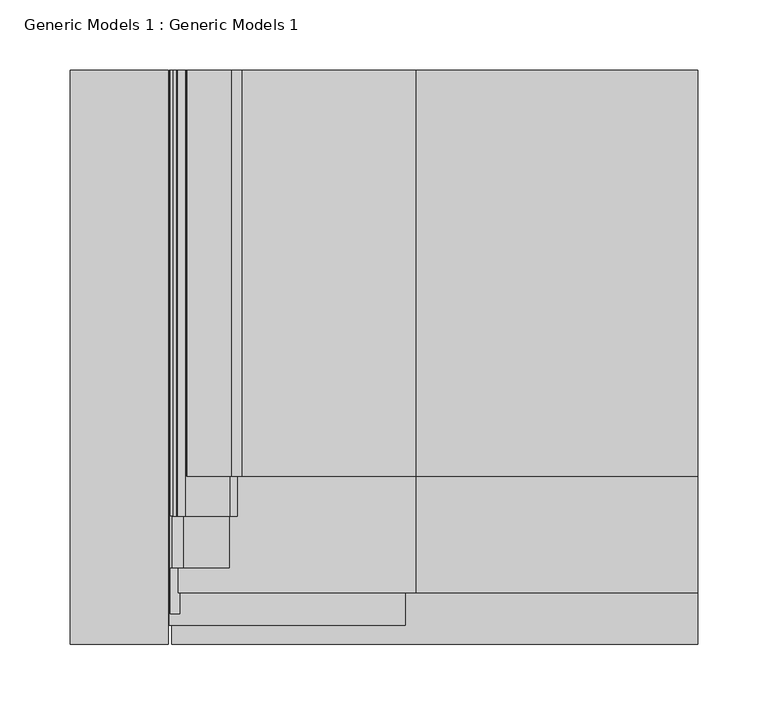
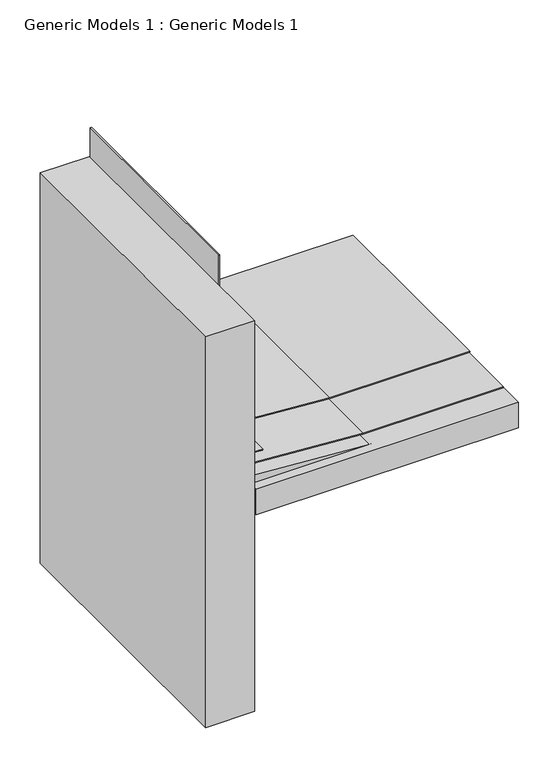
"""IFC4 building model written with IfcOpenShell, lengths in millimetres: proxy geometry, Generic Models 1 : Generic Models 1."""

from ifc_helpers import new_model, si_unit, point, frame, frame_2d, origin, place, context, project, spatial, polyline, circle_curve, trimmed, segment, composite_curve, outline, extrude, source, transform, mapped, element, save


def generic_models_1_generic_models_1_878f82fe(model_context):
    return source(origin(), model_context, "Body", "SweptSolid", [
        extrude(outline(polyline([(366.2998414, 220.6890397), (366.2998414, 421.8535083), (367.8873414, 421.8535083), (367.8873414, 220.7445506), (379.7412837, 51.4523863), (378.1498968, 51.4523863), (366.2998414, 220.6890397)])), frame((0.0, 21.5363278, 0.0), z_axis=(0.0, 1.0, 0.0), x_axis=(0.0, 0.0, 1.0)), (0.0, 0.0, 1.0), 372.3106111),
        extrude(outline(composite_curve([segment(polyline([(665.0670686, 45.9849206), (421.3790016, 45.9849206)]), True, "CONTINUOUS"), segment(trimmed(circle_curve(frame_2d((421.3790016, 50.7474206)), 4.7625), [point((421.3790016, 45.9849206))], [point((419.3662821, 46.4311298))], False, "CARTESIAN"), True, "CONTINUOUS"), segment(polyline([(419.3662821, 46.4311298), (414.5179838, 48.6919284)]), True, "CONTINUOUS"), segment(trimmed(circle_curve(frame_2d((412.1698111, 43.6562557)), 5.55625), [point((414.5179838, 48.6919284))], [point((412.1698111, 49.2125057))], True, "CARTESIAN"), True, "CONTINUOUS"), segment(polyline([(412.1698111, 49.2125057), (390.1940732, 49.2125057), (383.4523557, 55.9542233), (381.2424489, 87.5573634), (377.0802044, 92.5177332), (378.2963, 93.5381585), (382.7901007, 88.1826554), (384.9945852, 56.6570577), (390.8516373, 50.8000057), (412.1698111, 50.8000057)]), True, "CONTINUOUS"), segment(trimmed(circle_curve(frame_2d((412.1698111, 43.6562557)), 7.14375), [point((412.1698111, 50.8000057))], [point((415.1888903, 50.130692))], False, "CARTESIAN"), True, "CONTINUOUS"), segment(polyline([(415.1888903, 50.130692), (420.0371886, 47.8698934)]), True, "CONTINUOUS"), segment(trimmed(circle_curve(frame_2d((421.3790016, 50.7474206)), 3.175), [point((420.0371886, 47.8698934))], [point((421.3790016, 47.5724206))], True, "CARTESIAN"), True, "CONTINUOUS"), segment(polyline([(421.3790016, 47.5724206), (665.0670686, 47.5724206), (665.0670686, 45.9849206)]), True, "CONTINUOUS")], self_intersect=False)), frame((0.0, 76.1832897, 0.0), z_axis=(0.0, 1.0, 0.0), x_axis=(0.0, 0.0, 1.0)), (0.0, 0.0, 1.0), 317.5167103),
        extrude(outline(polyline([(389.3481527, 45.5682981), (380.3678966, 54.5485543), (378.0392019, 87.8504402), (379.6228348, 87.9611786), (381.9101262, 55.2513888), (390.0057168, 47.1557981), (414.7481527, 47.1557981), (414.7481527, 45.5682981), (389.3481527, 45.5682981)])), frame((0.0, 39.3037821, 0.0), z_axis=(0.0, 1.0, 0.0), x_axis=(0.0, 0.0, 1.0)), (0.0, 0.0, 1.0), 354.5431569),
        extrude(outline(polyline([(46.83125, 393.8469389), (421.8535083, 393.8469389), (421.8535083, -15.1880793), (46.83125, -15.1880793), (46.83125, 393.8469389)])), frame((0.0, 0.0, 328.1998414), z_axis=(0.0, 0.0, 1.0), x_axis=(1.0, 0.0, 0.0)), (0.0, 0.0, 1.0), 38.1),
        extrude(outline(polyline([(386.5281731, 57.4834742), (384.3377525, 88.8079473), (378.2010312, 96.121407), (369.4748414, 220.7445506), (369.4748414, 421.8535083), (371.0623414, 421.8535083), (371.0623414, 220.8000615), (379.7486304, 96.7467617), (385.8854044, 89.4332392), (388.111806, 57.5942127), (386.5281731, 57.4834742)])), frame((0.0, 104.5872963, 0.0), z_axis=(0.0, 1.0, 0.0), x_axis=(0.0, 0.0, 1.0)), (0.0, 0.0, 1.0), 289.2596427),
        extrude(outline(polyline([(366.2998414, 220.6890397), (378.5846294, 45.24375), (366.2998414, 45.24375), (366.2998414, 220.6890397)])), frame((0.0, -1.6619698, 0.0), z_axis=(0.0, 1.0, 0.0), x_axis=(0.0, 0.0, 1.0)), (0.0, 0.0, 1.0), 395.5089087),
        extrude(outline(polyline([(385.7389306, 46.0375057), (379.082718, 46.0375057), (379.082718, 52.6937184), (385.7389306, 46.0375057)])), frame((0.0, 6.5171405, 0.0), z_axis=(0.0, 1.0, 0.0), x_axis=(0.0, 0.0, 1.0)), (0.0, 0.0, 1.0), 387.3297984),
        extrude(outline(polyline([(44.45, -15.1880793), (-25.4, -15.1880793), (-25.4, 393.8469389), (44.45, 393.8469389), (44.45, -15.1880793)])), frame((0.0, 0.0, 31.75), z_axis=(0.0, 0.0, 1.0), x_axis=(1.0, 0.0, 0.0)), (0.0, 0.0, 1.0), 589.9629392),
    ])


if __name__ == "__main__":
    model = new_model("IFC4")
    model_context = context("Model", 3, world=origin())
    ifc_project = project(units=[si_unit("LENGTHUNIT", "METRE", prefix="MILLI")], contexts=[model_context])
    site = spatial("IfcSite", under=ifc_project)
    building = spatial("IfcBuilding", under=site)
    placement = place(None, origin())
    generic_models_1_generic_models_1_shape = generic_models_1_generic_models_1_878f82fe(model_context)
    element("IfcBuildingElementProxy", 1, Name="Generic Models 1 : Generic Models 1", ObjectType="Generic Models 1 : Generic Models 1", at=placement, inside=building, context=model_context, shape_type="MappedRepresentation", body=[
        mapped(generic_models_1_generic_models_1_shape, transform((0.0, 0.0, 0.0), x_axis=(1.0, 0.0, 0.0), y_axis=(0.0, 1.0, 0.0), z_axis=(0.0, 0.0, 1.0))),
    ])
    save(model, "model.ifc")
